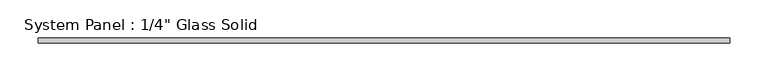
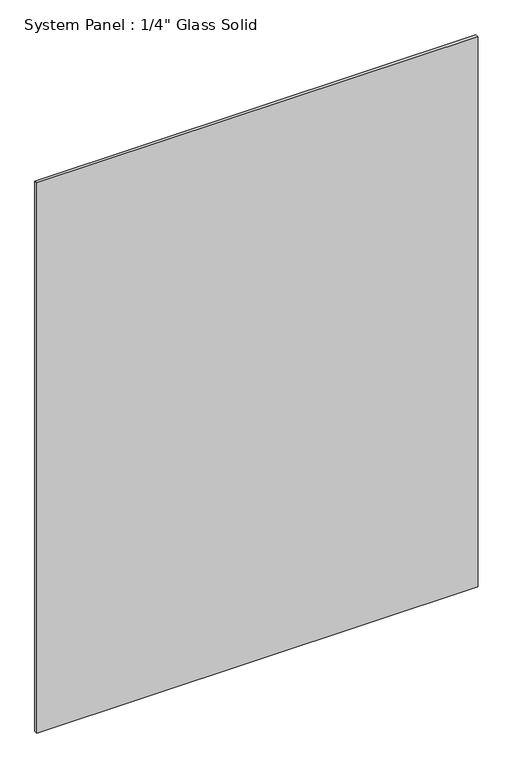
"""IFC4 building model written with IfcOpenShell, lengths in millimetres: plate geometry."""

from ifc_helpers import new_model, si_unit, origin, origin_with_axes, place, context, project, spatial, polyline, outline, extrude, source, transform, mapped, element, save


def plate_0b84dbe2(model_context):
    return source(origin(), model_context, "Body", "SweptSolid", [
        extrude(outline(polyline([(453.0180865, -3.175), (-453.0180865, -3.175), (-453.0180865, 3.175), (453.0180865, 3.175), (453.0180865, -3.175)])), origin_with_axes(), (0.0, 0.0, 1.0), 1193.8017704),
    ])


if __name__ == "__main__":
    model = new_model("IFC4")
    model_context = context("Model", 3, world=origin())
    ifc_project = project(units=[si_unit("LENGTHUNIT", "METRE", prefix="MILLI")], contexts=[model_context])
    site = spatial("IfcSite", under=ifc_project)
    building = spatial("IfcBuilding", under=site)
    placement = place(None, origin())
    plate_shape = plate_0b84dbe2(model_context)
    element("IfcPlate", 1, ObjectType="System Panel : 1/4\" Glass Solid", at=placement, inside=building, context=model_context, shape_type="MappedRepresentation", body=[
        mapped(plate_shape, transform((0.0, 0.0, 0.0), x_axis=(1.0, 0.0, 0.0), y_axis=(0.0, 1.0, 0.0), z_axis=(0.0, 0.0, 1.0))),
    ])
    save(model, "model.ifc")
